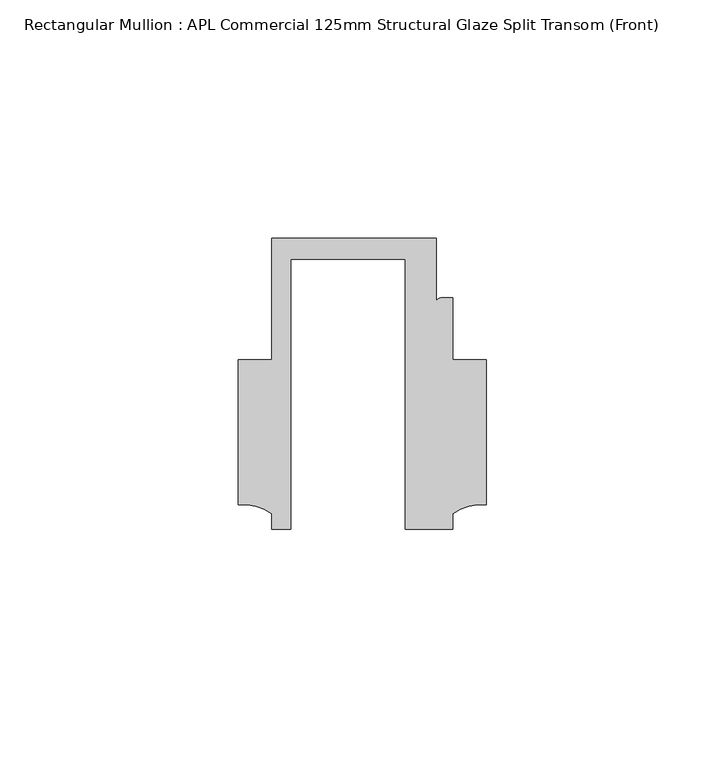
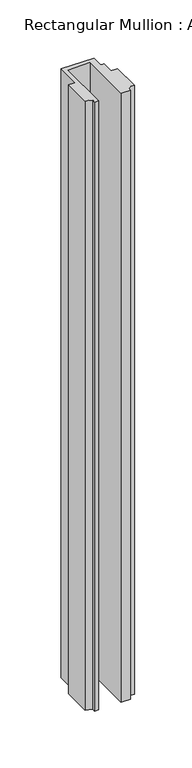
"""IFC4 building model written with IfcOpenShell, lengths in millimetres: member geometry, Rectangular Mullion : APL Commercial 125mm Structural Glaze Split Transom (Front)."""

from ifc_helpers import new_model, si_unit, point, frame, frame_2d, origin, place, context, project, spatial, polyline, circle_curve, trimmed, segment, composite_curve, outline, extrude, source, transform, mapped, element, save


def rectangular_mullion_apl_commercial_125mm_structural_glaze_6ea386cc(model_context):
    return source(origin(), model_context, "Body", "SweptSolid", [
        extrude(outline(composite_curve([segment(polyline([(-24.0309529, -20.5), (-28.0000482, -20.5), (-28.0000482, -17.3123419)]), True, "CONTINUOUS"), segment(trimmed(circle_curve(frame_2d((-34.10985, -25.7980019)), 10.4563907), [point((-28.0000482, -17.3123419))], [point((-34.9999873, -15.3795682))], True, "CARTESIAN"), True, "CONTINUOUS"), segment(polyline([(-34.9999873, -15.3795682), (-34.9999873, 15.001276), (-28.0000482, 15.001276), (-28.0000482, 40.499932), (6.5000029, 40.499932), (6.5000029, 27.0002131)]), True, "CONTINUOUS"), segment(trimmed(circle_curve(frame_2d((7.5000029, 27.0002131)), 1.0), [point((6.5000029, 27.0002131))], [point((7.5000029, 28.0002131))], False, "CARTESIAN"), True, "CONTINUOUS"), segment(polyline([(7.5000029, 28.0002131), (10.0000029, 28.0002131), (10.0000029, 15.0004617), (16.999942, 15.0004617), (16.999942, -15.3793686)]), True, "CONTINUOUS"), segment(trimmed(circle_curve(frame_2d((16.1098048, -25.7978024)), 10.4563907), [point((16.999942, -15.3793686))], [point((10.0000029, -17.3121423))], True, "CARTESIAN"), True, "CONTINUOUS"), segment(polyline([(10.0000029, -17.3121423), (10.0000029, -20.5), (0.0, -20.5), (0.0, 36.1008577), (-24.0309529, 36.1008577), (-24.0309529, -20.5)]), True, "CONTINUOUS")], self_intersect=False)), frame((0.0, 0.0, -679.1423286), z_axis=(0.0, 0.0, 1.0), x_axis=(1.0, 0.0, 0.0)), (0.0, 0.0, 1.0), 679.1423286),
    ])


if __name__ == "__main__":
    model = new_model("IFC4")
    model_context = context("Model", 3, world=origin())
    ifc_project = project(units=[si_unit("LENGTHUNIT", "METRE", prefix="MILLI")], contexts=[model_context])
    site = spatial("IfcSite", under=ifc_project)
    building = spatial("IfcBuilding", under=site)
    placement = place(None, origin())
    rectangular_mullion_apl_commercial_125mm_structural_glaze_shape = rectangular_mullion_apl_commercial_125mm_structural_glaze_6ea386cc(model_context)
    element("IfcMember", 1, ObjectType="Rectangular Mullion : APL Commercial 125mm Structural Glaze Split Transom (Front)", at=placement, inside=building, context=model_context, shape_type="MappedRepresentation", body=[
        mapped(rectangular_mullion_apl_commercial_125mm_structural_glaze_shape, transform((0.0, 0.0, 0.0), x_axis=(1.0, 0.0, 0.0), y_axis=(0.0, 1.0, 0.0), z_axis=(0.0, 0.0, 1.0))),
    ])
    save(model, "model.ifc")
